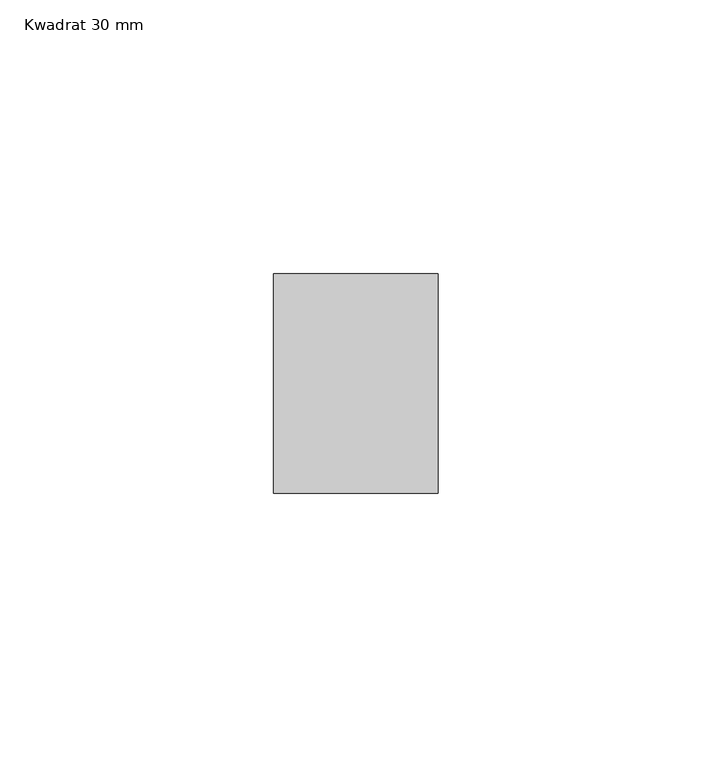
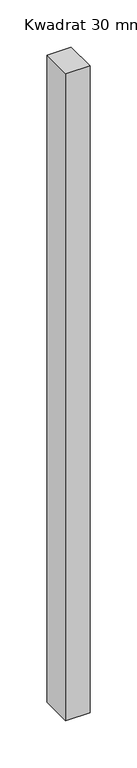
"""IFC4 building model written with IfcOpenShell, lengths in millimetres: member geometry, Kwadrat 30 mm."""

from ifc_helpers import new_model, si_unit, frame, origin, place, context, project, spatial, polyline, outline, extrude, source, transform, mapped, element, save


def kwadrat_30_mm_fb853435(model_context):
    return source(origin(), model_context, "Body", "SweptSolid", [
        extrude(outline(polyline([(15.0, 20.0), (15.0, -20.0), (-15.0, -20.0), (-15.0, 20.0), (15.0, 20.0)])), frame((0.0, 0.0, -840.0), z_axis=(0.0, 0.0, 1.0), x_axis=(1.0, 0.0, 0.0)), (0.0, 0.0, 1.0), 840.0),
    ])


if __name__ == "__main__":
    model = new_model("IFC4")
    model_context = context("Model", 3, world=origin())
    ifc_project = project(units=[si_unit("LENGTHUNIT", "METRE", prefix="MILLI")], contexts=[model_context])
    site = spatial("IfcSite", under=ifc_project)
    building = spatial("IfcBuilding", under=site)
    placement = place(None, origin())
    kwadrat_30_mm_shape = kwadrat_30_mm_fb853435(model_context)
    element("IfcMember", 1, ObjectType="Kwadrat 30 mm", at=placement, inside=building, context=model_context, shape_type="MappedRepresentation", body=[
        mapped(kwadrat_30_mm_shape, transform((0.0, 0.0, 0.0), x_axis=(1.0, 0.0, 0.0), y_axis=(0.0, 1.0, 0.0), z_axis=(0.0, 0.0, 1.0))),
    ])
    save(model, "model.ifc")
